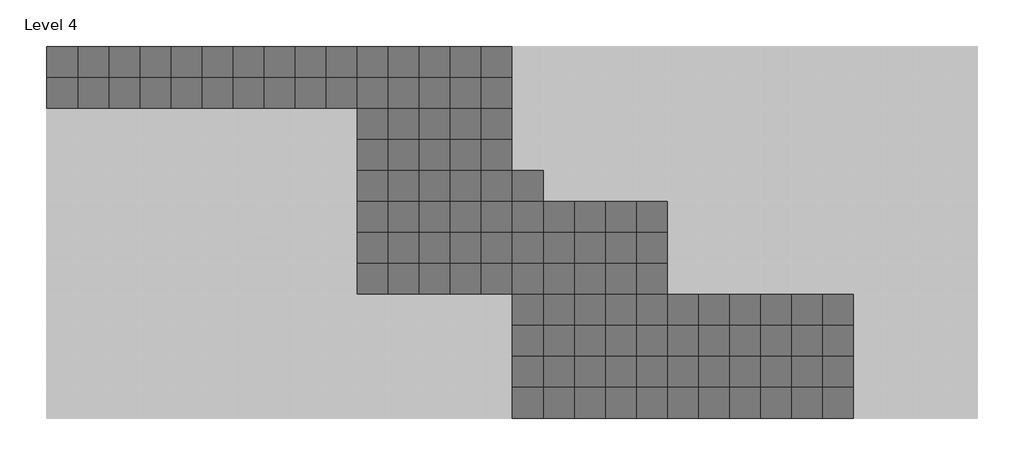
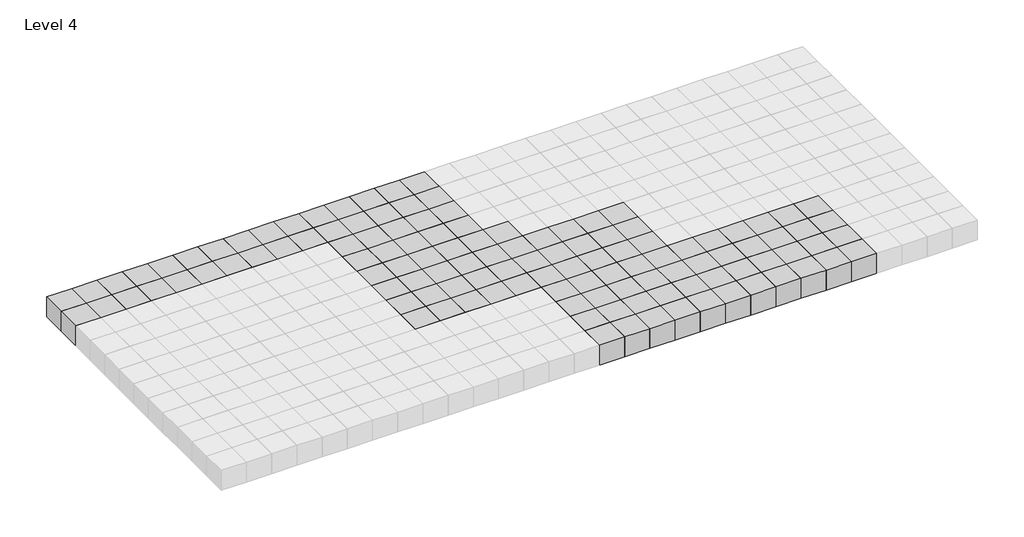
# One storey, part 2 of 3: 120 proxies.
"""IFC4 building model written with IfcOpenShell, lengths in millimetres."""

import ifcopenshell
import ifcopenshell.guid

model = None  # the IFC model being written
_history = None  # IfcOwnerHistory: only IFC2X3 demands one
_inside = {}  # id of a spatial element -> (the spatial element, [elements in it])
_under = {}  # id of a project, library or spatial element -> (it, [spatial elements below it])
_declared = {}  # id of a project -> (the project, [libraries it declares])
_typed = {}  # id of a type object -> (the type object, [elements of that type])
_made_of = {}  # id of a material, layer set ... -> (it, [elements and type objects made of it])


def new_model(schema):
    """Start an empty IFC model of exactly this schema.

    Asked for "IFC4X3", IfcOpenShell would pick the latest addendum, in which some entities
    have other attributes; the version numbers below select the first issue.
    IFC2X3 requires an IfcOwnerHistory on every rooted entity: one is made here for all.
    """
    global model, _history
    if schema == "IFC4X3":
        model = ifcopenshell.file(schema_version=(4, 3, 0, 0))
    else:
        model = ifcopenshell.file(schema=schema)
    _inside.clear()
    _under.clear()
    _declared.clear()
    _typed.clear()
    _made_of.clear()
    _history = None
    if model.schema == "IFC2X3":
        org = make("IfcOrganization", Name="unknown")
        user = make(
            "IfcPersonAndOrganization",
            ThePerson=make("IfcPerson", FamilyName="unknown"),
            TheOrganization=org,
        )
        app = make(
            "IfcApplication",
            ApplicationDeveloper=org,
            Version="unknown",
            ApplicationFullName="unknown",
            ApplicationIdentifier="unknown",
        )
        _history = make(
            "IfcOwnerHistory",
            OwningUser=user,
            OwningApplication=app,
            ChangeAction="ADDED",
            CreationDate=0,
        )
    return model


def make(cls, **values):
    """One entity of the class cls with the attributes given. An attribute that is None is left unset."""
    return model.create_entity(
        cls, **{name: value for name, value in values.items() if value is not None}
    )


def rooted(cls, **values):
    """An entity with a GlobalId (a new one), such as an element, a storey or a relation."""
    return make(cls, GlobalId=ifcopenshell.guid.new(), OwnerHistory=_history, **values)


def si_unit(unit_type, name, prefix=None):
    """IfcSIUnit, for example si_unit("LENGTHUNIT", "METRE", prefix="MILLI")."""
    return make("IfcSIUnit", UnitType=unit_type, Prefix=prefix, Name=name)


def assignment(units):
    """IfcUnitAssignment: the units of a project."""
    return None if units is None else make("IfcUnitAssignment", Units=units)


def point(xyz):
    """IfcCartesianPoint."""
    return None if xyz is None else make("IfcCartesianPoint", Coordinates=xyz)


def direction(xyz):
    """IfcDirection."""
    return None if xyz is None else make("IfcDirection", DirectionRatios=xyz)


def frame(location, z_axis=None, x_axis=None):
    """IfcAxis2Placement3D, a coordinate frame: its origin and axes. An axis left out is left unset."""
    return make(
        "IfcAxis2Placement3D",
        Location=point(location),
        Axis=direction(z_axis),
        RefDirection=direction(x_axis),
    )


def origin():
    """The frame at (0, 0, 0) with its axes left unset."""
    return frame((0.0, 0.0, 0.0))


def origin_with_axes():
    """The frame at (0, 0, 0) with the z axis (0, 0, 1) and the x axis (1, 0, 0) written out."""
    return frame((0.0, 0.0, 0.0), z_axis=(0.0, 0.0, 1.0), x_axis=(1.0, 0.0, 0.0))


def place(relative_to, where):
    """IfcLocalPlacement: puts the frame where relative to a parent placement (None: the world)."""
    return make(
        "IfcLocalPlacement", PlacementRelTo=relative_to, RelativePlacement=where
    )


def context(
    kind, dimensions, precision=None, world=None, true_north=None, identifier=None
):
    """IfcGeometricRepresentationContext, for example the 3D "Model" context."""
    return make(
        "IfcGeometricRepresentationContext",
        ContextIdentifier=identifier,
        ContextType=kind,
        CoordinateSpaceDimension=dimensions,
        Precision=precision,
        WorldCoordinateSystem=world,
        TrueNorth=true_north,
    )


def project(units=None, contexts=None):
    """IfcProject with its units and contexts."""
    return rooted(
        "IfcProject",
        Name="project",
        RepresentationContexts=contexts,
        UnitsInContext=assignment(units),
    )


def spatial(cls, under=None, at=None, **own):
    """A site, building, storey or space (cls), placed at a placement, below another one or the project."""
    s = rooted(cls, ObjectPlacement=at, **own)
    if under is not None:
        _under.setdefault(under.id(), (under, []))[1].append(s)
    return s


def polyline(points):
    """IfcPolyline through the points."""
    return make("IfcPolyline", Points=[point(p) for p in points])


def outline(outer, holes=None, kind="AREA"):
    """IfcArbitraryClosedProfileDef: a profile drawn as a closed curve; with holes, ...WithVoids."""
    if holes is None:
        return make("IfcArbitraryClosedProfileDef", ProfileType=kind, OuterCurve=outer)
    return make(
        "IfcArbitraryProfileDefWithVoids",
        ProfileType=kind,
        OuterCurve=outer,
        InnerCurves=holes,
    )


def extrude(swept, where, along, depth):
    """IfcExtrudedAreaSolid: the profile swept, set in the frame where, extruded along a direction by depth."""
    return make(
        "IfcExtrudedAreaSolid",
        SweptArea=swept,
        Position=where,
        ExtrudedDirection=direction(along),
        Depth=depth,
    )


def shape(context_of_items, identifier, shape_type, items):
    """IfcShapeRepresentation: the items that make up one representation, for example the "Body"."""
    return make(
        "IfcShapeRepresentation",
        ContextOfItems=context_of_items,
        RepresentationIdentifier=identifier,
        RepresentationType=shape_type,
        Items=items,
    )


def source(mapping_origin, context_of_items, identifier, shape_type, items):
    """IfcRepresentationMap: a shape defined once, which mapped items show again and again."""
    return make(
        "IfcRepresentationMap",
        MappingOrigin=mapping_origin,
        MappedRepresentation=shape(context_of_items, identifier, shape_type, items),
    )


def transform(
    local_origin,
    x_axis=None,
    y_axis=None,
    z_axis=None,
    scale=None,
    scale2=None,
    scale3=None,
    uniform=True,
):
    """IfcCartesianTransformationOperator3D, or its non-uniform kind. x_axis, y_axis, z_axis: its Axis1, 2, 3."""
    if uniform:
        return make(
            "IfcCartesianTransformationOperator3D",
            Axis1=direction(x_axis),
            Axis2=direction(y_axis),
            LocalOrigin=point(local_origin),
            Scale=scale,
            Axis3=direction(z_axis),
        )
    return make(
        "IfcCartesianTransformationOperator3DnonUniform",
        Axis1=direction(x_axis),
        Axis2=direction(y_axis),
        LocalOrigin=point(local_origin),
        Scale=scale,
        Axis3=direction(z_axis),
        Scale2=scale2,
        Scale3=scale3,
    )


def mapped(mapping_source, mapping_target):
    """IfcMappedItem: shows the shape of a source again, moved by a transform."""
    return make(
        "IfcMappedItem", MappingSource=mapping_source, MappingTarget=mapping_target
    )


def made_of(thing, what):
    """Note that an element or type object is made of a material, layer set ...; save() writes the relation."""
    if what is not None:
        _made_of.setdefault(what.id(), (what, []))[1].append(thing)
    return thing


def element(
    cls,
    number,
    at=None,
    inside=None,
    cuts=None,
    type_object=None,
    material=None,
    context=None,
    identifier="Body",
    shape_type=None,
    held_by="IfcProductDefinitionShape",
    body=None,
    shapes=None,
    **own,
):
    """One element of the class cls, such as IfcWall. Its Tag is "e" and its number.

    at: its placement. inside: the storey or other place that contains it. cuts: it is an
    opening in that element (IfcRelVoidsElement). A single representation is given by context,
    identifier, shape_type and body (its items); several are given by shapes. held_by: the class
    of the entity that holds the representations. save() writes the other relations.
    """
    e = rooted(cls, Tag="e%d" % number, ObjectPlacement=at, **own)
    if body is not None:
        shapes = [shape(context, identifier, shape_type, body)]
    if shapes is not None:
        e.Representation = make(held_by, Representations=shapes)
    if inside is not None:
        _inside.setdefault(inside.id(), (inside, []))[1].append(e)
    if cuts is not None:
        rooted(
            "IfcRelVoidsElement", RelatingBuildingElement=cuts, RelatedOpeningElement=e
        )
    if type_object is not None:
        _typed.setdefault(type_object.id(), (type_object, []))[1].append(e)
    return made_of(e, material)


def aggregate(whole, parts):
    """IfcRelAggregates: a whole, such as a stair, and the parts it consists of."""
    return rooted("IfcRelAggregates", RelatingObject=whole, RelatedObjects=parts)


def save(model, path):
    """Write the relations noted so far, then the file.

    IfcRelAggregates (storeys below a building ...), IfcRelContainedInSpatialStructure (elements
    in a storey), IfcRelDefinesByType, IfcRelAssociatesMaterial and IfcRelDeclares: one each for
    every whole, place, type object, material and project.
    """
    for whole, parts in _under.values():
        aggregate(whole, parts)
    for where, things in _inside.values():
        rooted(
            "IfcRelContainedInSpatialStructure",
            RelatedElements=things,
            RelatingStructure=where,
        )
    for kind, things in _typed.values():
        rooted("IfcRelDefinesByType", RelatedObjects=things, RelatingType=kind)
    for what, things in _made_of.values():
        rooted("IfcRelAssociatesMaterial", RelatedObjects=things, RelatingMaterial=what)
    for by, libraries in _declared.values():
        rooted("IfcRelDeclares", RelatingContext=by, RelatedDefinitions=libraries)
    model.write(path)


def family1_family1_3ff121e7(model_context):
    return source(origin(), model_context, "Body", "SweptSolid", [
        extrude(outline(polyline([(1500.0, 1500.0), (1500.0, -1500.0), (-1500.0, -1500.0), (-1500.0, 1500.0), (1500.0, 1500.0)])), origin_with_axes(), (0.0, 0.0, 1.0), 2500.0),
    ])


model = new_model("IFC4")

# Units and contexts
model_context = context("Model", 3, world=origin())
ifc_project = project(units=[si_unit("LENGTHUNIT", "METRE", prefix="MILLI")], contexts=[model_context])

# Site, building, storey
site = spatial("IfcSite", under=ifc_project)
building = spatial("IfcBuilding", under=site)
storey = spatial("IfcBuildingStorey", under=building, Name="Level 4", Elevation=7500.0)

# Proxies
placement = place(None, origin())
family1_family1_shape = family1_family1_3ff121e7(model_context)
element("IfcBuildingElementProxy", 1, Name="Family1 : Family1", ObjectType="Family1 : Family1", at=placement, inside=storey, context=model_context, shape_type="MappedRepresentation", body=[
    mapped(family1_family1_shape, transform((1230.8235721, 4214.6480914, 7500.0), x_axis=(1.0, 0.0, 0.0), y_axis=(0.0, 1.0, 0.0), z_axis=(0.0, 0.0, 1.0))),
])
element("IfcBuildingElementProxy", 2, Name="Family1 : Family1", ObjectType="Family1 : Family1", at=placement, inside=storey, context=model_context, shape_type="MappedRepresentation", body=[
    mapped(family1_family1_shape, transform((4230.8235721, 4214.6480914, 7500.0), x_axis=(1.0, 0.0, 0.0), y_axis=(0.0, 1.0, 0.0), z_axis=(0.0, 0.0, 1.0))),
])
element("IfcBuildingElementProxy", 3, Name="Family1 : Family1", ObjectType="Family1 : Family1", at=placement, inside=storey, context=model_context, shape_type="MappedRepresentation", body=[
    mapped(family1_family1_shape, transform((7230.8235721, 4214.6480914, 7500.0), x_axis=(1.0, 0.0, 0.0), y_axis=(0.0, 1.0, 0.0), z_axis=(0.0, 0.0, 1.0))),
])
element("IfcBuildingElementProxy", 4, Name="Family1 : Family1", ObjectType="Family1 : Family1", at=placement, inside=storey, context=model_context, shape_type="MappedRepresentation", body=[
    mapped(family1_family1_shape, transform((10230.8235721, 4214.6480914, 7500.0), x_axis=(1.0, 0.0, 0.0), y_axis=(0.0, 1.0, 0.0), z_axis=(0.0, 0.0, 1.0))),
])
element("IfcBuildingElementProxy", 5, Name="Family1 : Family1", ObjectType="Family1 : Family1", at=placement, inside=storey, context=model_context, shape_type="MappedRepresentation", body=[
    mapped(family1_family1_shape, transform((13230.8235721, 4214.6480914, 7500.0), x_axis=(1.0, 0.0, 0.0), y_axis=(0.0, 1.0, 0.0), z_axis=(0.0, 0.0, 1.0))),
])
element("IfcBuildingElementProxy", 6, Name="Family1 : Family1", ObjectType="Family1 : Family1", at=placement, inside=storey, context=model_context, shape_type="MappedRepresentation", body=[
    mapped(family1_family1_shape, transform((16230.8235721, 4214.6480914, 7500.0), x_axis=(1.0, 0.0, 0.0), y_axis=(0.0, 1.0, 0.0), z_axis=(0.0, 0.0, 1.0))),
])
element("IfcBuildingElementProxy", 7, Name="Family1 : Family1", ObjectType="Family1 : Family1", at=placement, inside=storey, context=model_context, shape_type="MappedRepresentation", body=[
    mapped(family1_family1_shape, transform((19230.8235721, 4214.6480914, 7500.0), x_axis=(1.0, 0.0, 0.0), y_axis=(0.0, 1.0, 0.0), z_axis=(0.0, 0.0, 1.0))),
])
element("IfcBuildingElementProxy", 8, Name="Family1 : Family1", ObjectType="Family1 : Family1", at=placement, inside=storey, context=model_context, shape_type="MappedRepresentation", body=[
    mapped(family1_family1_shape, transform((22230.8235721, 4214.6480914, 7500.0), x_axis=(1.0, 0.0, 0.0), y_axis=(0.0, 1.0, 0.0), z_axis=(0.0, 0.0, 1.0))),
])
element("IfcBuildingElementProxy", 9, Name="Family1 : Family1", ObjectType="Family1 : Family1", at=placement, inside=storey, context=model_context, shape_type="MappedRepresentation", body=[
    mapped(family1_family1_shape, transform((25230.8235721, 4214.6480914, 7500.0), x_axis=(1.0, 0.0, 0.0), y_axis=(0.0, 1.0, 0.0), z_axis=(0.0, 0.0, 1.0))),
])
element("IfcBuildingElementProxy", 10, Name="Family1 : Family1", ObjectType="Family1 : Family1", at=placement, inside=storey, context=model_context, shape_type="MappedRepresentation", body=[
    mapped(family1_family1_shape, transform((28230.8235721, 4214.6480914, 7500.0), x_axis=(1.0, 0.0, 0.0), y_axis=(0.0, 1.0, 0.0), z_axis=(0.0, 0.0, 1.0))),
])
element("IfcBuildingElementProxy", 11, Name="Family1 : Family1", ObjectType="Family1 : Family1", at=placement, inside=storey, context=model_context, shape_type="MappedRepresentation", body=[
    mapped(family1_family1_shape, transform((31230.8235721, 4214.6480914, 7500.0), x_axis=(1.0, 0.0, 0.0), y_axis=(0.0, 1.0, 0.0), z_axis=(0.0, 0.0, 1.0))),
])
element("IfcBuildingElementProxy", 12, Name="Family1 : Family1", ObjectType="Family1 : Family1", at=placement, inside=storey, context=model_context, shape_type="MappedRepresentation", body=[
    mapped(family1_family1_shape, transform((1230.8235721, 7214.6480914, 7500.0), x_axis=(1.0, 0.0, 0.0), y_axis=(0.0, 1.0, 0.0), z_axis=(0.0, 0.0, 1.0))),
])
element("IfcBuildingElementProxy", 13, Name="Family1 : Family1", ObjectType="Family1 : Family1", at=placement, inside=storey, context=model_context, shape_type="MappedRepresentation", body=[
    mapped(family1_family1_shape, transform((4230.8235721, 7214.6480914, 7500.0), x_axis=(1.0, 0.0, 0.0), y_axis=(0.0, 1.0, 0.0), z_axis=(0.0, 0.0, 1.0))),
])
element("IfcBuildingElementProxy", 14, Name="Family1 : Family1", ObjectType="Family1 : Family1", at=placement, inside=storey, context=model_context, shape_type="MappedRepresentation", body=[
    mapped(family1_family1_shape, transform((7230.8235721, 7214.6480914, 7500.0), x_axis=(1.0, 0.0, 0.0), y_axis=(0.0, 1.0, 0.0), z_axis=(0.0, 0.0, 1.0))),
])
element("IfcBuildingElementProxy", 15, Name="Family1 : Family1", ObjectType="Family1 : Family1", at=placement, inside=storey, context=model_context, shape_type="MappedRepresentation", body=[
    mapped(family1_family1_shape, transform((10230.8235721, 7214.6480914, 7500.0), x_axis=(1.0, 0.0, 0.0), y_axis=(0.0, 1.0, 0.0), z_axis=(0.0, 0.0, 1.0))),
])
element("IfcBuildingElementProxy", 16, Name="Family1 : Family1", ObjectType="Family1 : Family1", at=placement, inside=storey, context=model_context, shape_type="MappedRepresentation", body=[
    mapped(family1_family1_shape, transform((13230.8235721, 7214.6480914, 7500.0), x_axis=(1.0, 0.0, 0.0), y_axis=(0.0, 1.0, 0.0), z_axis=(0.0, 0.0, 1.0))),
])
element("IfcBuildingElementProxy", 17, Name="Family1 : Family1", ObjectType="Family1 : Family1", at=placement, inside=storey, context=model_context, shape_type="MappedRepresentation", body=[
    mapped(family1_family1_shape, transform((16230.8235721, 7214.6480914, 7500.0), x_axis=(1.0, 0.0, 0.0), y_axis=(0.0, 1.0, 0.0), z_axis=(0.0, 0.0, 1.0))),
])
element("IfcBuildingElementProxy", 18, Name="Family1 : Family1", ObjectType="Family1 : Family1", at=placement, inside=storey, context=model_context, shape_type="MappedRepresentation", body=[
    mapped(family1_family1_shape, transform((19230.8235721, 7214.6480914, 7500.0), x_axis=(1.0, 0.0, 0.0), y_axis=(0.0, 1.0, 0.0), z_axis=(0.0, 0.0, 1.0))),
])
element("IfcBuildingElementProxy", 19, Name="Family1 : Family1", ObjectType="Family1 : Family1", at=placement, inside=storey, context=model_context, shape_type="MappedRepresentation", body=[
    mapped(family1_family1_shape, transform((22230.8235721, 7214.6480914, 7500.0), x_axis=(1.0, 0.0, 0.0), y_axis=(0.0, 1.0, 0.0), z_axis=(0.0, 0.0, 1.0))),
])
element("IfcBuildingElementProxy", 20, Name="Family1 : Family1", ObjectType="Family1 : Family1", at=placement, inside=storey, context=model_context, shape_type="MappedRepresentation", body=[
    mapped(family1_family1_shape, transform((25230.8235721, 7214.6480914, 7500.0), x_axis=(1.0, 0.0, 0.0), y_axis=(0.0, 1.0, 0.0), z_axis=(0.0, 0.0, 1.0))),
])
element("IfcBuildingElementProxy", 21, Name="Family1 : Family1", ObjectType="Family1 : Family1", at=placement, inside=storey, context=model_context, shape_type="MappedRepresentation", body=[
    mapped(family1_family1_shape, transform((28230.8235721, 7214.6480914, 7500.0), x_axis=(1.0, 0.0, 0.0), y_axis=(0.0, 1.0, 0.0), z_axis=(0.0, 0.0, 1.0))),
])
element("IfcBuildingElementProxy", 22, Name="Family1 : Family1", ObjectType="Family1 : Family1", at=placement, inside=storey, context=model_context, shape_type="MappedRepresentation", body=[
    mapped(family1_family1_shape, transform((31230.8235721, 7214.6480914, 7500.0), x_axis=(1.0, 0.0, 0.0), y_axis=(0.0, 1.0, 0.0), z_axis=(0.0, 0.0, 1.0))),
])
element("IfcBuildingElementProxy", 23, Name="Family1 : Family1", ObjectType="Family1 : Family1", at=placement, inside=storey, context=model_context, shape_type="MappedRepresentation", body=[
    mapped(family1_family1_shape, transform((1230.8235721, 10214.6480914, 7500.0), x_axis=(1.0, 0.0, 0.0), y_axis=(0.0, 1.0, 0.0), z_axis=(0.0, 0.0, 1.0))),
])
element("IfcBuildingElementProxy", 24, Name="Family1 : Family1", ObjectType="Family1 : Family1", at=placement, inside=storey, context=model_context, shape_type="MappedRepresentation", body=[
    mapped(family1_family1_shape, transform((4230.8235721, 10214.6480914, 7500.0), x_axis=(1.0, 0.0, 0.0), y_axis=(0.0, 1.0, 0.0), z_axis=(0.0, 0.0, 1.0))),
])
element("IfcBuildingElementProxy", 25, Name="Family1 : Family1", ObjectType="Family1 : Family1", at=placement, inside=storey, context=model_context, shape_type="MappedRepresentation", body=[
    mapped(family1_family1_shape, transform((7230.8235721, 10214.6480914, 7500.0), x_axis=(1.0, 0.0, 0.0), y_axis=(0.0, 1.0, 0.0), z_axis=(0.0, 0.0, 1.0))),
])
element("IfcBuildingElementProxy", 26, Name="Family1 : Family1", ObjectType="Family1 : Family1", at=placement, inside=storey, context=model_context, shape_type="MappedRepresentation", body=[
    mapped(family1_family1_shape, transform((10230.8235721, 10214.6480914, 7500.0), x_axis=(1.0, 0.0, 0.0), y_axis=(0.0, 1.0, 0.0), z_axis=(0.0, 0.0, 1.0))),
])
element("IfcBuildingElementProxy", 27, Name="Family1 : Family1", ObjectType="Family1 : Family1", at=placement, inside=storey, context=model_context, shape_type="MappedRepresentation", body=[
    mapped(family1_family1_shape, transform((13230.8235721, 10214.6480914, 7500.0), x_axis=(1.0, 0.0, 0.0), y_axis=(0.0, 1.0, 0.0), z_axis=(0.0, 0.0, 1.0))),
])
element("IfcBuildingElementProxy", 28, Name="Family1 : Family1", ObjectType="Family1 : Family1", at=placement, inside=storey, context=model_context, shape_type="MappedRepresentation", body=[
    mapped(family1_family1_shape, transform((16230.8235721, 10214.6480914, 7500.0), x_axis=(1.0, 0.0, 0.0), y_axis=(0.0, 1.0, 0.0), z_axis=(0.0, 0.0, 1.0))),
])
element("IfcBuildingElementProxy", 29, Name="Family1 : Family1", ObjectType="Family1 : Family1", at=placement, inside=storey, context=model_context, shape_type="MappedRepresentation", body=[
    mapped(family1_family1_shape, transform((19230.8235721, 10214.6480914, 7500.0), x_axis=(1.0, 0.0, 0.0), y_axis=(0.0, 1.0, 0.0), z_axis=(0.0, 0.0, 1.0))),
])
element("IfcBuildingElementProxy", 30, Name="Family1 : Family1", ObjectType="Family1 : Family1", at=placement, inside=storey, context=model_context, shape_type="MappedRepresentation", body=[
    mapped(family1_family1_shape, transform((22230.8235721, 10214.6480914, 7500.0), x_axis=(1.0, 0.0, 0.0), y_axis=(0.0, 1.0, 0.0), z_axis=(0.0, 0.0, 1.0))),
])
element("IfcBuildingElementProxy", 31, Name="Family1 : Family1", ObjectType="Family1 : Family1", at=placement, inside=storey, context=model_context, shape_type="MappedRepresentation", body=[
    mapped(family1_family1_shape, transform((25230.8235721, 10214.6480914, 7500.0), x_axis=(1.0, 0.0, 0.0), y_axis=(0.0, 1.0, 0.0), z_axis=(0.0, 0.0, 1.0))),
])
element("IfcBuildingElementProxy", 32, Name="Family1 : Family1", ObjectType="Family1 : Family1", at=placement, inside=storey, context=model_context, shape_type="MappedRepresentation", body=[
    mapped(family1_family1_shape, transform((28230.8235721, 10214.6480914, 7500.0), x_axis=(1.0, 0.0, 0.0), y_axis=(0.0, 1.0, 0.0), z_axis=(0.0, 0.0, 1.0))),
])
element("IfcBuildingElementProxy", 33, Name="Family1 : Family1", ObjectType="Family1 : Family1", at=placement, inside=storey, context=model_context, shape_type="MappedRepresentation", body=[
    mapped(family1_family1_shape, transform((31230.8235721, 10214.6480914, 7500.0), x_axis=(1.0, 0.0, 0.0), y_axis=(0.0, 1.0, 0.0), z_axis=(0.0, 0.0, 1.0))),
])
element("IfcBuildingElementProxy", 34, Name="Family1 : Family1", ObjectType="Family1 : Family1", at=placement, inside=storey, context=model_context, shape_type="MappedRepresentation", body=[
    mapped(family1_family1_shape, transform((1230.8235721, 13214.6480914, 7500.0), x_axis=(1.0, 0.0, 0.0), y_axis=(0.0, 1.0, 0.0), z_axis=(0.0, 0.0, 1.0))),
])
element("IfcBuildingElementProxy", 35, Name="Family1 : Family1", ObjectType="Family1 : Family1", at=placement, inside=storey, context=model_context, shape_type="MappedRepresentation", body=[
    mapped(family1_family1_shape, transform((4230.8235721, 13214.6480914, 7500.0), x_axis=(1.0, 0.0, 0.0), y_axis=(0.0, 1.0, 0.0), z_axis=(0.0, 0.0, 1.0))),
])
element("IfcBuildingElementProxy", 36, Name="Family1 : Family1", ObjectType="Family1 : Family1", at=placement, inside=storey, context=model_context, shape_type="MappedRepresentation", body=[
    mapped(family1_family1_shape, transform((7230.8235721, 13214.6480914, 7500.0), x_axis=(1.0, 0.0, 0.0), y_axis=(0.0, 1.0, 0.0), z_axis=(0.0, 0.0, 1.0))),
])
element("IfcBuildingElementProxy", 37, Name="Family1 : Family1", ObjectType="Family1 : Family1", at=placement, inside=storey, context=model_context, shape_type="MappedRepresentation", body=[
    mapped(family1_family1_shape, transform((10230.8235721, 13214.6480914, 7500.0), x_axis=(1.0, 0.0, 0.0), y_axis=(0.0, 1.0, 0.0), z_axis=(0.0, 0.0, 1.0))),
])
element("IfcBuildingElementProxy", 38, Name="Family1 : Family1", ObjectType="Family1 : Family1", at=placement, inside=storey, context=model_context, shape_type="MappedRepresentation", body=[
    mapped(family1_family1_shape, transform((13230.8235721, 13214.6480914, 7500.0), x_axis=(1.0, 0.0, 0.0), y_axis=(0.0, 1.0, 0.0), z_axis=(0.0, 0.0, 1.0))),
])
element("IfcBuildingElementProxy", 39, Name="Family1 : Family1", ObjectType="Family1 : Family1", at=placement, inside=storey, context=model_context, shape_type="MappedRepresentation", body=[
    mapped(family1_family1_shape, transform((16230.8235721, 13214.6480914, 7500.0), x_axis=(1.0, 0.0, 0.0), y_axis=(0.0, 1.0, 0.0), z_axis=(0.0, 0.0, 1.0))),
])
element("IfcBuildingElementProxy", 40, Name="Family1 : Family1", ObjectType="Family1 : Family1", at=placement, inside=storey, context=model_context, shape_type="MappedRepresentation", body=[
    mapped(family1_family1_shape, transform((19230.8235721, 13214.6480914, 7500.0), x_axis=(1.0, 0.0, 0.0), y_axis=(0.0, 1.0, 0.0), z_axis=(0.0, 0.0, 1.0))),
])
element("IfcBuildingElementProxy", 41, Name="Family1 : Family1", ObjectType="Family1 : Family1", at=placement, inside=storey, context=model_context, shape_type="MappedRepresentation", body=[
    mapped(family1_family1_shape, transform((22230.8235721, 13214.6480914, 7500.0), x_axis=(1.0, 0.0, 0.0), y_axis=(0.0, 1.0, 0.0), z_axis=(0.0, 0.0, 1.0))),
])
element("IfcBuildingElementProxy", 42, Name="Family1 : Family1", ObjectType="Family1 : Family1", at=placement, inside=storey, context=model_context, shape_type="MappedRepresentation", body=[
    mapped(family1_family1_shape, transform((25230.8235721, 13214.6480914, 7500.0), x_axis=(1.0, 0.0, 0.0), y_axis=(0.0, 1.0, 0.0), z_axis=(0.0, 0.0, 1.0))),
])
element("IfcBuildingElementProxy", 43, Name="Family1 : Family1", ObjectType="Family1 : Family1", at=placement, inside=storey, context=model_context, shape_type="MappedRepresentation", body=[
    mapped(family1_family1_shape, transform((28230.8235721, 13214.6480914, 7500.0), x_axis=(1.0, 0.0, 0.0), y_axis=(0.0, 1.0, 0.0), z_axis=(0.0, 0.0, 1.0))),
])
element("IfcBuildingElementProxy", 44, Name="Family1 : Family1", ObjectType="Family1 : Family1", at=placement, inside=storey, context=model_context, shape_type="MappedRepresentation", body=[
    mapped(family1_family1_shape, transform((31230.8235721, 13214.6480914, 7500.0), x_axis=(1.0, 0.0, 0.0), y_axis=(0.0, 1.0, 0.0), z_axis=(0.0, 0.0, 1.0))),
])
element("IfcBuildingElementProxy", 45, Name="Family1 : Family1", ObjectType="Family1 : Family1", at=placement, inside=storey, context=model_context, shape_type="MappedRepresentation", body=[
    mapped(family1_family1_shape, transform((-13769.1764279, 16214.6480914, 7500.0), x_axis=(1.0, 0.0, 0.0), y_axis=(0.0, 1.0, 0.0), z_axis=(0.0, 0.0, 1.0))),
])
element("IfcBuildingElementProxy", 46, Name="Family1 : Family1", ObjectType="Family1 : Family1", at=placement, inside=storey, context=model_context, shape_type="MappedRepresentation", body=[
    mapped(family1_family1_shape, transform((-10769.1764279, 16214.6480914, 7500.0), x_axis=(1.0, 0.0, 0.0), y_axis=(0.0, 1.0, 0.0), z_axis=(0.0, 0.0, 1.0))),
])
element("IfcBuildingElementProxy", 47, Name="Family1 : Family1", ObjectType="Family1 : Family1", at=placement, inside=storey, context=model_context, shape_type="MappedRepresentation", body=[
    mapped(family1_family1_shape, transform((-7769.1764279, 16214.6480914, 7500.0), x_axis=(1.0, 0.0, 0.0), y_axis=(0.0, 1.0, 0.0), z_axis=(0.0, 0.0, 1.0))),
])
element("IfcBuildingElementProxy", 48, Name="Family1 : Family1", ObjectType="Family1 : Family1", at=placement, inside=storey, context=model_context, shape_type="MappedRepresentation", body=[
    mapped(family1_family1_shape, transform((-4769.1764279, 16214.6480914, 7500.0), x_axis=(1.0, 0.0, 0.0), y_axis=(0.0, 1.0, 0.0), z_axis=(0.0, 0.0, 1.0))),
])
element("IfcBuildingElementProxy", 49, Name="Family1 : Family1", ObjectType="Family1 : Family1", at=placement, inside=storey, context=model_context, shape_type="MappedRepresentation", body=[
    mapped(family1_family1_shape, transform((-1769.1764279, 16214.6480914, 7500.0), x_axis=(1.0, 0.0, 0.0), y_axis=(0.0, 1.0, 0.0), z_axis=(0.0, 0.0, 1.0))),
])
element("IfcBuildingElementProxy", 50, Name="Family1 : Family1", ObjectType="Family1 : Family1", at=placement, inside=storey, context=model_context, shape_type="MappedRepresentation", body=[
    mapped(family1_family1_shape, transform((1230.8235721, 16214.6480914, 7500.0), x_axis=(1.0, 0.0, 0.0), y_axis=(0.0, 1.0, 0.0), z_axis=(0.0, 0.0, 1.0))),
])
element("IfcBuildingElementProxy", 51, Name="Family1 : Family1", ObjectType="Family1 : Family1", at=placement, inside=storey, context=model_context, shape_type="MappedRepresentation", body=[
    mapped(family1_family1_shape, transform((4230.8235721, 16214.6480914, 7500.0), x_axis=(1.0, 0.0, 0.0), y_axis=(0.0, 1.0, 0.0), z_axis=(0.0, 0.0, 1.0))),
])
element("IfcBuildingElementProxy", 52, Name="Family1 : Family1", ObjectType="Family1 : Family1", at=placement, inside=storey, context=model_context, shape_type="MappedRepresentation", body=[
    mapped(family1_family1_shape, transform((7230.8235721, 16214.6480914, 7500.0), x_axis=(1.0, 0.0, 0.0), y_axis=(0.0, 1.0, 0.0), z_axis=(0.0, 0.0, 1.0))),
])
element("IfcBuildingElementProxy", 53, Name="Family1 : Family1", ObjectType="Family1 : Family1", at=placement, inside=storey, context=model_context, shape_type="MappedRepresentation", body=[
    mapped(family1_family1_shape, transform((10230.8235721, 16214.6480914, 7500.0), x_axis=(1.0, 0.0, 0.0), y_axis=(0.0, 1.0, 0.0), z_axis=(0.0, 0.0, 1.0))),
])
element("IfcBuildingElementProxy", 54, Name="Family1 : Family1", ObjectType="Family1 : Family1", at=placement, inside=storey, context=model_context, shape_type="MappedRepresentation", body=[
    mapped(family1_family1_shape, transform((13230.8235721, 16214.6480914, 7500.0), x_axis=(1.0, 0.0, 0.0), y_axis=(0.0, 1.0, 0.0), z_axis=(0.0, 0.0, 1.0))),
])
element("IfcBuildingElementProxy", 55, Name="Family1 : Family1", ObjectType="Family1 : Family1", at=placement, inside=storey, context=model_context, shape_type="MappedRepresentation", body=[
    mapped(family1_family1_shape, transform((-13769.1764279, 19214.6480914, 7500.0), x_axis=(1.0, 0.0, 0.0), y_axis=(0.0, 1.0, 0.0), z_axis=(0.0, 0.0, 1.0))),
])
element("IfcBuildingElementProxy", 56, Name="Family1 : Family1", ObjectType="Family1 : Family1", at=placement, inside=storey, context=model_context, shape_type="MappedRepresentation", body=[
    mapped(family1_family1_shape, transform((-10769.1764279, 19214.6480914, 7500.0), x_axis=(1.0, 0.0, 0.0), y_axis=(0.0, 1.0, 0.0), z_axis=(0.0, 0.0, 1.0))),
])
element("IfcBuildingElementProxy", 57, Name="Family1 : Family1", ObjectType="Family1 : Family1", at=placement, inside=storey, context=model_context, shape_type="MappedRepresentation", body=[
    mapped(family1_family1_shape, transform((-7769.1764279, 19214.6480914, 7500.0), x_axis=(1.0, 0.0, 0.0), y_axis=(0.0, 1.0, 0.0), z_axis=(0.0, 0.0, 1.0))),
])
element("IfcBuildingElementProxy", 58, Name="Family1 : Family1", ObjectType="Family1 : Family1", at=placement, inside=storey, context=model_context, shape_type="MappedRepresentation", body=[
    mapped(family1_family1_shape, transform((-4769.1764279, 19214.6480914, 7500.0), x_axis=(1.0, 0.0, 0.0), y_axis=(0.0, 1.0, 0.0), z_axis=(0.0, 0.0, 1.0))),
])
element("IfcBuildingElementProxy", 59, Name="Family1 : Family1", ObjectType="Family1 : Family1", at=placement, inside=storey, context=model_context, shape_type="MappedRepresentation", body=[
    mapped(family1_family1_shape, transform((-1769.1764279, 19214.6480914, 7500.0), x_axis=(1.0, 0.0, 0.0), y_axis=(0.0, 1.0, 0.0), z_axis=(0.0, 0.0, 1.0))),
])
element("IfcBuildingElementProxy", 60, Name="Family1 : Family1", ObjectType="Family1 : Family1", at=placement, inside=storey, context=model_context, shape_type="MappedRepresentation", body=[
    mapped(family1_family1_shape, transform((1230.8235721, 19214.6480914, 7500.0), x_axis=(1.0, 0.0, 0.0), y_axis=(0.0, 1.0, 0.0), z_axis=(0.0, 0.0, 1.0))),
])
element("IfcBuildingElementProxy", 61, Name="Family1 : Family1", ObjectType="Family1 : Family1", at=placement, inside=storey, context=model_context, shape_type="MappedRepresentation", body=[
    mapped(family1_family1_shape, transform((4230.8235721, 19214.6480914, 7500.0), x_axis=(1.0, 0.0, 0.0), y_axis=(0.0, 1.0, 0.0), z_axis=(0.0, 0.0, 1.0))),
])
element("IfcBuildingElementProxy", 62, Name="Family1 : Family1", ObjectType="Family1 : Family1", at=placement, inside=storey, context=model_context, shape_type="MappedRepresentation", body=[
    mapped(family1_family1_shape, transform((7230.8235721, 19214.6480914, 7500.0), x_axis=(1.0, 0.0, 0.0), y_axis=(0.0, 1.0, 0.0), z_axis=(0.0, 0.0, 1.0))),
])
element("IfcBuildingElementProxy", 63, Name="Family1 : Family1", ObjectType="Family1 : Family1", at=placement, inside=storey, context=model_context, shape_type="MappedRepresentation", body=[
    mapped(family1_family1_shape, transform((10230.8235721, 19214.6480914, 7500.0), x_axis=(1.0, 0.0, 0.0), y_axis=(0.0, 1.0, 0.0), z_axis=(0.0, 0.0, 1.0))),
])
element("IfcBuildingElementProxy", 64, Name="Family1 : Family1", ObjectType="Family1 : Family1", at=placement, inside=storey, context=model_context, shape_type="MappedRepresentation", body=[
    mapped(family1_family1_shape, transform((13230.8235721, 19214.6480914, 7500.0), x_axis=(1.0, 0.0, 0.0), y_axis=(0.0, 1.0, 0.0), z_axis=(0.0, 0.0, 1.0))),
])
element("IfcBuildingElementProxy", 65, Name="Family1 : Family1", ObjectType="Family1 : Family1", at=placement, inside=storey, context=model_context, shape_type="MappedRepresentation", body=[
    mapped(family1_family1_shape, transform((-13769.1764279, 22214.6480914, 7500.0), x_axis=(1.0, 0.0, 0.0), y_axis=(0.0, 1.0, 0.0), z_axis=(0.0, 0.0, 1.0))),
])
element("IfcBuildingElementProxy", 66, Name="Family1 : Family1", ObjectType="Family1 : Family1", at=placement, inside=storey, context=model_context, shape_type="MappedRepresentation", body=[
    mapped(family1_family1_shape, transform((-10769.1764279, 22214.6480914, 7500.0), x_axis=(1.0, 0.0, 0.0), y_axis=(0.0, 1.0, 0.0), z_axis=(0.0, 0.0, 1.0))),
])
element("IfcBuildingElementProxy", 67, Name="Family1 : Family1", ObjectType="Family1 : Family1", at=placement, inside=storey, context=model_context, shape_type="MappedRepresentation", body=[
    mapped(family1_family1_shape, transform((-7769.1764279, 22214.6480914, 7500.0), x_axis=(1.0, 0.0, 0.0), y_axis=(0.0, 1.0, 0.0), z_axis=(0.0, 0.0, 1.0))),
])
element("IfcBuildingElementProxy", 68, Name="Family1 : Family1", ObjectType="Family1 : Family1", at=placement, inside=storey, context=model_context, shape_type="MappedRepresentation", body=[
    mapped(family1_family1_shape, transform((-4769.1764279, 22214.6480914, 7500.0), x_axis=(1.0, 0.0, 0.0), y_axis=(0.0, 1.0, 0.0), z_axis=(0.0, 0.0, 1.0))),
])
element("IfcBuildingElementProxy", 69, Name="Family1 : Family1", ObjectType="Family1 : Family1", at=placement, inside=storey, context=model_context, shape_type="MappedRepresentation", body=[
    mapped(family1_family1_shape, transform((-1769.1764279, 22214.6480914, 7500.0), x_axis=(1.0, 0.0, 0.0), y_axis=(0.0, 1.0, 0.0), z_axis=(0.0, 0.0, 1.0))),
])
element("IfcBuildingElementProxy", 70, Name="Family1 : Family1", ObjectType="Family1 : Family1", at=placement, inside=storey, context=model_context, shape_type="MappedRepresentation", body=[
    mapped(family1_family1_shape, transform((1230.8235721, 22214.6480914, 7500.0), x_axis=(1.0, 0.0, 0.0), y_axis=(0.0, 1.0, 0.0), z_axis=(0.0, 0.0, 1.0))),
])
element("IfcBuildingElementProxy", 71, Name="Family1 : Family1", ObjectType="Family1 : Family1", at=placement, inside=storey, context=model_context, shape_type="MappedRepresentation", body=[
    mapped(family1_family1_shape, transform((4230.8235721, 22214.6480914, 7500.0), x_axis=(1.0, 0.0, 0.0), y_axis=(0.0, 1.0, 0.0), z_axis=(0.0, 0.0, 1.0))),
])
element("IfcBuildingElementProxy", 72, Name="Family1 : Family1", ObjectType="Family1 : Family1", at=placement, inside=storey, context=model_context, shape_type="MappedRepresentation", body=[
    mapped(family1_family1_shape, transform((7230.8235721, 22214.6480914, 7500.0), x_axis=(1.0, 0.0, 0.0), y_axis=(0.0, 1.0, 0.0), z_axis=(0.0, 0.0, 1.0))),
])
element("IfcBuildingElementProxy", 73, Name="Family1 : Family1", ObjectType="Family1 : Family1", at=placement, inside=storey, context=model_context, shape_type="MappedRepresentation", body=[
    mapped(family1_family1_shape, transform((10230.8235721, 22214.6480914, 7500.0), x_axis=(1.0, 0.0, 0.0), y_axis=(0.0, 1.0, 0.0), z_axis=(0.0, 0.0, 1.0))),
])
element("IfcBuildingElementProxy", 74, Name="Family1 : Family1", ObjectType="Family1 : Family1", at=placement, inside=storey, context=model_context, shape_type="MappedRepresentation", body=[
    mapped(family1_family1_shape, transform((13230.8235721, 22214.6480914, 7500.0), x_axis=(1.0, 0.0, 0.0), y_axis=(0.0, 1.0, 0.0), z_axis=(0.0, 0.0, 1.0))),
])
element("IfcBuildingElementProxy", 75, Name="Family1 : Family1", ObjectType="Family1 : Family1", at=placement, inside=storey, context=model_context, shape_type="MappedRepresentation", body=[
    mapped(family1_family1_shape, transform((-13769.1764279, 25214.6480914, 7500.0), x_axis=(1.0, 0.0, 0.0), y_axis=(0.0, 1.0, 0.0), z_axis=(0.0, 0.0, 1.0))),
])
element("IfcBuildingElementProxy", 76, Name="Family1 : Family1", ObjectType="Family1 : Family1", at=placement, inside=storey, context=model_context, shape_type="MappedRepresentation", body=[
    mapped(family1_family1_shape, transform((-10769.1764279, 25214.6480914, 7500.0), x_axis=(1.0, 0.0, 0.0), y_axis=(0.0, 1.0, 0.0), z_axis=(0.0, 0.0, 1.0))),
])
element("IfcBuildingElementProxy", 77, Name="Family1 : Family1", ObjectType="Family1 : Family1", at=placement, inside=storey, context=model_context, shape_type="MappedRepresentation", body=[
    mapped(family1_family1_shape, transform((-7769.1764279, 25214.6480914, 7500.0), x_axis=(1.0, 0.0, 0.0), y_axis=(0.0, 1.0, 0.0), z_axis=(0.0, 0.0, 1.0))),
])
element("IfcBuildingElementProxy", 78, Name="Family1 : Family1", ObjectType="Family1 : Family1", at=placement, inside=storey, context=model_context, shape_type="MappedRepresentation", body=[
    mapped(family1_family1_shape, transform((-4769.1764279, 25214.6480914, 7500.0), x_axis=(1.0, 0.0, 0.0), y_axis=(0.0, 1.0, 0.0), z_axis=(0.0, 0.0, 1.0))),
])
element("IfcBuildingElementProxy", 79, Name="Family1 : Family1", ObjectType="Family1 : Family1", at=placement, inside=storey, context=model_context, shape_type="MappedRepresentation", body=[
    mapped(family1_family1_shape, transform((-1769.1764279, 25214.6480914, 7500.0), x_axis=(1.0, 0.0, 0.0), y_axis=(0.0, 1.0, 0.0), z_axis=(0.0, 0.0, 1.0))),
])
element("IfcBuildingElementProxy", 80, Name="Family1 : Family1", ObjectType="Family1 : Family1", at=placement, inside=storey, context=model_context, shape_type="MappedRepresentation", body=[
    mapped(family1_family1_shape, transform((1230.8235721, 25214.6480914, 7500.0), x_axis=(1.0, 0.0, 0.0), y_axis=(0.0, 1.0, 0.0), z_axis=(0.0, 0.0, 1.0))),
])
element("IfcBuildingElementProxy", 81, Name="Family1 : Family1", ObjectType="Family1 : Family1", at=placement, inside=storey, context=model_context, shape_type="MappedRepresentation", body=[
    mapped(family1_family1_shape, transform((-13769.1764279, 28214.6480914, 7500.0), x_axis=(1.0, 0.0, 0.0), y_axis=(0.0, 1.0, 0.0), z_axis=(0.0, 0.0, 1.0))),
])
element("IfcBuildingElementProxy", 82, Name="Family1 : Family1", ObjectType="Family1 : Family1", at=placement, inside=storey, context=model_context, shape_type="MappedRepresentation", body=[
    mapped(family1_family1_shape, transform((-10769.1764279, 28214.6480914, 7500.0), x_axis=(1.0, 0.0, 0.0), y_axis=(0.0, 1.0, 0.0), z_axis=(0.0, 0.0, 1.0))),
])
element("IfcBuildingElementProxy", 83, Name="Family1 : Family1", ObjectType="Family1 : Family1", at=placement, inside=storey, context=model_context, shape_type="MappedRepresentation", body=[
    mapped(family1_family1_shape, transform((-7769.1764279, 28214.6480914, 7500.0), x_axis=(1.0, 0.0, 0.0), y_axis=(0.0, 1.0, 0.0), z_axis=(0.0, 0.0, 1.0))),
])
element("IfcBuildingElementProxy", 84, Name="Family1 : Family1", ObjectType="Family1 : Family1", at=placement, inside=storey, context=model_context, shape_type="MappedRepresentation", body=[
    mapped(family1_family1_shape, transform((-4769.1764279, 28214.6480914, 7500.0), x_axis=(1.0, 0.0, 0.0), y_axis=(0.0, 1.0, 0.0), z_axis=(0.0, 0.0, 1.0))),
])
element("IfcBuildingElementProxy", 85, Name="Family1 : Family1", ObjectType="Family1 : Family1", at=placement, inside=storey, context=model_context, shape_type="MappedRepresentation", body=[
    mapped(family1_family1_shape, transform((-1769.1764279, 28214.6480914, 7500.0), x_axis=(1.0, 0.0, 0.0), y_axis=(0.0, 1.0, 0.0), z_axis=(0.0, 0.0, 1.0))),
])
element("IfcBuildingElementProxy", 86, Name="Family1 : Family1", ObjectType="Family1 : Family1", at=placement, inside=storey, context=model_context, shape_type="MappedRepresentation", body=[
    mapped(family1_family1_shape, transform((-13769.1764279, 31214.6480914, 7500.0), x_axis=(1.0, 0.0, 0.0), y_axis=(0.0, 1.0, 0.0), z_axis=(0.0, 0.0, 1.0))),
])
element("IfcBuildingElementProxy", 87, Name="Family1 : Family1", ObjectType="Family1 : Family1", at=placement, inside=storey, context=model_context, shape_type="MappedRepresentation", body=[
    mapped(family1_family1_shape, transform((-10769.1764279, 31214.6480914, 7500.0), x_axis=(1.0, 0.0, 0.0), y_axis=(0.0, 1.0, 0.0), z_axis=(0.0, 0.0, 1.0))),
])
element("IfcBuildingElementProxy", 88, Name="Family1 : Family1", ObjectType="Family1 : Family1", at=placement, inside=storey, context=model_context, shape_type="MappedRepresentation", body=[
    mapped(family1_family1_shape, transform((-7769.1764279, 31214.6480914, 7500.0), x_axis=(1.0, 0.0, 0.0), y_axis=(0.0, 1.0, 0.0), z_axis=(0.0, 0.0, 1.0))),
])
element("IfcBuildingElementProxy", 89, Name="Family1 : Family1", ObjectType="Family1 : Family1", at=placement, inside=storey, context=model_context, shape_type="MappedRepresentation", body=[
    mapped(family1_family1_shape, transform((-4769.1764279, 31214.6480914, 7500.0), x_axis=(1.0, 0.0, 0.0), y_axis=(0.0, 1.0, 0.0), z_axis=(0.0, 0.0, 1.0))),
])
element("IfcBuildingElementProxy", 90, Name="Family1 : Family1", ObjectType="Family1 : Family1", at=placement, inside=storey, context=model_context, shape_type="MappedRepresentation", body=[
    mapped(family1_family1_shape, transform((-1769.1764279, 31214.6480914, 7500.0), x_axis=(1.0, 0.0, 0.0), y_axis=(0.0, 1.0, 0.0), z_axis=(0.0, 0.0, 1.0))),
])
element("IfcBuildingElementProxy", 91, Name="Family1 : Family1", ObjectType="Family1 : Family1", at=placement, inside=storey, context=model_context, shape_type="MappedRepresentation", body=[
    mapped(family1_family1_shape, transform((-43769.1764279, 34214.6480914, 7500.0), x_axis=(1.0, 0.0, 0.0), y_axis=(0.0, 1.0, 0.0), z_axis=(0.0, 0.0, 1.0))),
])
element("IfcBuildingElementProxy", 92, Name="Family1 : Family1", ObjectType="Family1 : Family1", at=placement, inside=storey, context=model_context, shape_type="MappedRepresentation", body=[
    mapped(family1_family1_shape, transform((-40769.1764279, 34214.6480914, 7500.0), x_axis=(1.0, 0.0, 0.0), y_axis=(0.0, 1.0, 0.0), z_axis=(0.0, 0.0, 1.0))),
])
element("IfcBuildingElementProxy", 93, Name="Family1 : Family1", ObjectType="Family1 : Family1", at=placement, inside=storey, context=model_context, shape_type="MappedRepresentation", body=[
    mapped(family1_family1_shape, transform((-37769.1764279, 34214.6480914, 7500.0), x_axis=(1.0, 0.0, 0.0), y_axis=(0.0, 1.0, 0.0), z_axis=(0.0, 0.0, 1.0))),
])
element("IfcBuildingElementProxy", 94, Name="Family1 : Family1", ObjectType="Family1 : Family1", at=placement, inside=storey, context=model_context, shape_type="MappedRepresentation", body=[
    mapped(family1_family1_shape, transform((-34769.1764279, 34214.6480914, 7500.0), x_axis=(1.0, 0.0, 0.0), y_axis=(0.0, 1.0, 0.0), z_axis=(0.0, 0.0, 1.0))),
])
element("IfcBuildingElementProxy", 95, Name="Family1 : Family1", ObjectType="Family1 : Family1", at=placement, inside=storey, context=model_context, shape_type="MappedRepresentation", body=[
    mapped(family1_family1_shape, transform((-31769.1764279, 34214.6480914, 7500.0), x_axis=(1.0, 0.0, 0.0), y_axis=(0.0, 1.0, 0.0), z_axis=(0.0, 0.0, 1.0))),
])
element("IfcBuildingElementProxy", 96, Name="Family1 : Family1", ObjectType="Family1 : Family1", at=placement, inside=storey, context=model_context, shape_type="MappedRepresentation", body=[
    mapped(family1_family1_shape, transform((-28769.1764279, 34214.6480914, 7500.0), x_axis=(1.0, 0.0, 0.0), y_axis=(0.0, 1.0, 0.0), z_axis=(0.0, 0.0, 1.0))),
])
element("IfcBuildingElementProxy", 97, Name="Family1 : Family1", ObjectType="Family1 : Family1", at=placement, inside=storey, context=model_context, shape_type="MappedRepresentation", body=[
    mapped(family1_family1_shape, transform((-25769.1764279, 34214.6480914, 7500.0), x_axis=(1.0, 0.0, 0.0), y_axis=(0.0, 1.0, 0.0), z_axis=(0.0, 0.0, 1.0))),
])
element("IfcBuildingElementProxy", 98, Name="Family1 : Family1", ObjectType="Family1 : Family1", at=placement, inside=storey, context=model_context, shape_type="MappedRepresentation", body=[
    mapped(family1_family1_shape, transform((-22769.1764279, 34214.6480914, 7500.0), x_axis=(1.0, 0.0, 0.0), y_axis=(0.0, 1.0, 0.0), z_axis=(0.0, 0.0, 1.0))),
])
element("IfcBuildingElementProxy", 99, Name="Family1 : Family1", ObjectType="Family1 : Family1", at=placement, inside=storey, context=model_context, shape_type="MappedRepresentation", body=[
    mapped(family1_family1_shape, transform((-19769.1764279, 34214.6480914, 7500.0), x_axis=(1.0, 0.0, 0.0), y_axis=(0.0, 1.0, 0.0), z_axis=(0.0, 0.0, 1.0))),
])
element("IfcBuildingElementProxy", 100, Name="Family1 : Family1", ObjectType="Family1 : Family1", at=placement, inside=storey, context=model_context, shape_type="MappedRepresentation", body=[
    mapped(family1_family1_shape, transform((-16769.1764279, 34214.6480914, 7500.0), x_axis=(1.0, 0.0, 0.0), y_axis=(0.0, 1.0, 0.0), z_axis=(0.0, 0.0, 1.0))),
])
element("IfcBuildingElementProxy", 101, Name="Family1 : Family1", ObjectType="Family1 : Family1", at=placement, inside=storey, context=model_context, shape_type="MappedRepresentation", body=[
    mapped(family1_family1_shape, transform((-13769.1764279, 34214.6480914, 7500.0), x_axis=(1.0, 0.0, 0.0), y_axis=(0.0, 1.0, 0.0), z_axis=(0.0, 0.0, 1.0))),
])
element("IfcBuildingElementProxy", 102, Name="Family1 : Family1", ObjectType="Family1 : Family1", at=placement, inside=storey, context=model_context, shape_type="MappedRepresentation", body=[
    mapped(family1_family1_shape, transform((-10769.1764279, 34214.6480914, 7500.0), x_axis=(1.0, 0.0, 0.0), y_axis=(0.0, 1.0, 0.0), z_axis=(0.0, 0.0, 1.0))),
])
element("IfcBuildingElementProxy", 103, Name="Family1 : Family1", ObjectType="Family1 : Family1", at=placement, inside=storey, context=model_context, shape_type="MappedRepresentation", body=[
    mapped(family1_family1_shape, transform((-7769.1764279, 34214.6480914, 7500.0), x_axis=(1.0, 0.0, 0.0), y_axis=(0.0, 1.0, 0.0), z_axis=(0.0, 0.0, 1.0))),
])
element("IfcBuildingElementProxy", 104, Name="Family1 : Family1", ObjectType="Family1 : Family1", at=placement, inside=storey, context=model_context, shape_type="MappedRepresentation", body=[
    mapped(family1_family1_shape, transform((-4769.1764279, 34214.6480914, 7500.0), x_axis=(1.0, 0.0, 0.0), y_axis=(0.0, 1.0, 0.0), z_axis=(0.0, 0.0, 1.0))),
])
element("IfcBuildingElementProxy", 105, Name="Family1 : Family1", ObjectType="Family1 : Family1", at=placement, inside=storey, context=model_context, shape_type="MappedRepresentation", body=[
    mapped(family1_family1_shape, transform((-1769.1764279, 34214.6480914, 7500.0), x_axis=(1.0, 0.0, 0.0), y_axis=(0.0, 1.0, 0.0), z_axis=(0.0, 0.0, 1.0))),
])
element("IfcBuildingElementProxy", 106, Name="Family1 : Family1", ObjectType="Family1 : Family1", at=placement, inside=storey, context=model_context, shape_type="MappedRepresentation", body=[
    mapped(family1_family1_shape, transform((-43769.1764279, 37214.6480914, 7500.0), x_axis=(1.0, 0.0, 0.0), y_axis=(0.0, 1.0, 0.0), z_axis=(0.0, 0.0, 1.0))),
])
element("IfcBuildingElementProxy", 107, Name="Family1 : Family1", ObjectType="Family1 : Family1", at=placement, inside=storey, context=model_context, shape_type="MappedRepresentation", body=[
    mapped(family1_family1_shape, transform((-40769.1764279, 37214.6480914, 7500.0), x_axis=(1.0, 0.0, 0.0), y_axis=(0.0, 1.0, 0.0), z_axis=(0.0, 0.0, 1.0))),
])
element("IfcBuildingElementProxy", 108, Name="Family1 : Family1", ObjectType="Family1 : Family1", at=placement, inside=storey, context=model_context, shape_type="MappedRepresentation", body=[
    mapped(family1_family1_shape, transform((-37769.1764279, 37214.6480914, 7500.0), x_axis=(1.0, 0.0, 0.0), y_axis=(0.0, 1.0, 0.0), z_axis=(0.0, 0.0, 1.0))),
])
element("IfcBuildingElementProxy", 109, Name="Family1 : Family1", ObjectType="Family1 : Family1", at=placement, inside=storey, context=model_context, shape_type="MappedRepresentation", body=[
    mapped(family1_family1_shape, transform((-34769.1764279, 37214.6480914, 7500.0), x_axis=(1.0, 0.0, 0.0), y_axis=(0.0, 1.0, 0.0), z_axis=(0.0, 0.0, 1.0))),
])
element("IfcBuildingElementProxy", 110, Name="Family1 : Family1", ObjectType="Family1 : Family1", at=placement, inside=storey, context=model_context, shape_type="MappedRepresentation", body=[
    mapped(family1_family1_shape, transform((-31769.1764279, 37214.6480914, 7500.0), x_axis=(1.0, 0.0, 0.0), y_axis=(0.0, 1.0, 0.0), z_axis=(0.0, 0.0, 1.0))),
])
element("IfcBuildingElementProxy", 111, Name="Family1 : Family1", ObjectType="Family1 : Family1", at=placement, inside=storey, context=model_context, shape_type="MappedRepresentation", body=[
    mapped(family1_family1_shape, transform((-28769.1764279, 37214.6480914, 7500.0), x_axis=(1.0, 0.0, 0.0), y_axis=(0.0, 1.0, 0.0), z_axis=(0.0, 0.0, 1.0))),
])
element("IfcBuildingElementProxy", 112, Name="Family1 : Family1", ObjectType="Family1 : Family1", at=placement, inside=storey, context=model_context, shape_type="MappedRepresentation", body=[
    mapped(family1_family1_shape, transform((-25769.1764279, 37214.6480914, 7500.0), x_axis=(1.0, 0.0, 0.0), y_axis=(0.0, 1.0, 0.0), z_axis=(0.0, 0.0, 1.0))),
])
element("IfcBuildingElementProxy", 113, Name="Family1 : Family1", ObjectType="Family1 : Family1", at=placement, inside=storey, context=model_context, shape_type="MappedRepresentation", body=[
    mapped(family1_family1_shape, transform((-22769.1764279, 37214.6480914, 7500.0), x_axis=(1.0, 0.0, 0.0), y_axis=(0.0, 1.0, 0.0), z_axis=(0.0, 0.0, 1.0))),
])
element("IfcBuildingElementProxy", 114, Name="Family1 : Family1", ObjectType="Family1 : Family1", at=placement, inside=storey, context=model_context, shape_type="MappedRepresentation", body=[
    mapped(family1_family1_shape, transform((-19769.1764279, 37214.6480914, 7500.0), x_axis=(1.0, 0.0, 0.0), y_axis=(0.0, 1.0, 0.0), z_axis=(0.0, 0.0, 1.0))),
])
element("IfcBuildingElementProxy", 115, Name="Family1 : Family1", ObjectType="Family1 : Family1", at=placement, inside=storey, context=model_context, shape_type="MappedRepresentation", body=[
    mapped(family1_family1_shape, transform((-16769.1764279, 37214.6480914, 7500.0), x_axis=(1.0, 0.0, 0.0), y_axis=(0.0, 1.0, 0.0), z_axis=(0.0, 0.0, 1.0))),
])
element("IfcBuildingElementProxy", 116, Name="Family1 : Family1", ObjectType="Family1 : Family1", at=placement, inside=storey, context=model_context, shape_type="MappedRepresentation", body=[
    mapped(family1_family1_shape, transform((-13769.1764279, 37214.6480914, 7500.0), x_axis=(1.0, 0.0, 0.0), y_axis=(0.0, 1.0, 0.0), z_axis=(0.0, 0.0, 1.0))),
])
element("IfcBuildingElementProxy", 117, Name="Family1 : Family1", ObjectType="Family1 : Family1", at=placement, inside=storey, context=model_context, shape_type="MappedRepresentation", body=[
    mapped(family1_family1_shape, transform((-10769.1764279, 37214.6480914, 7500.0), x_axis=(1.0, 0.0, 0.0), y_axis=(0.0, 1.0, 0.0), z_axis=(0.0, 0.0, 1.0))),
])
element("IfcBuildingElementProxy", 118, Name="Family1 : Family1", ObjectType="Family1 : Family1", at=placement, inside=storey, context=model_context, shape_type="MappedRepresentation", body=[
    mapped(family1_family1_shape, transform((-7769.1764279, 37214.6480914, 7500.0), x_axis=(1.0, 0.0, 0.0), y_axis=(0.0, 1.0, 0.0), z_axis=(0.0, 0.0, 1.0))),
])
element("IfcBuildingElementProxy", 119, Name="Family1 : Family1", ObjectType="Family1 : Family1", at=placement, inside=storey, context=model_context, shape_type="MappedRepresentation", body=[
    mapped(family1_family1_shape, transform((-4769.1764279, 37214.6480914, 7500.0), x_axis=(1.0, 0.0, 0.0), y_axis=(0.0, 1.0, 0.0), z_axis=(0.0, 0.0, 1.0))),
])
element("IfcBuildingElementProxy", 120, Name="Family1 : Family1", ObjectType="Family1 : Family1", at=placement, inside=storey, context=model_context, shape_type="MappedRepresentation", body=[
    mapped(family1_family1_shape, transform((-1769.1764279, 37214.6480914, 7500.0), x_axis=(1.0, 0.0, 0.0), y_axis=(0.0, 1.0, 0.0), z_axis=(0.0, 0.0, 1.0))),
])

save(model, "model.ifc")
